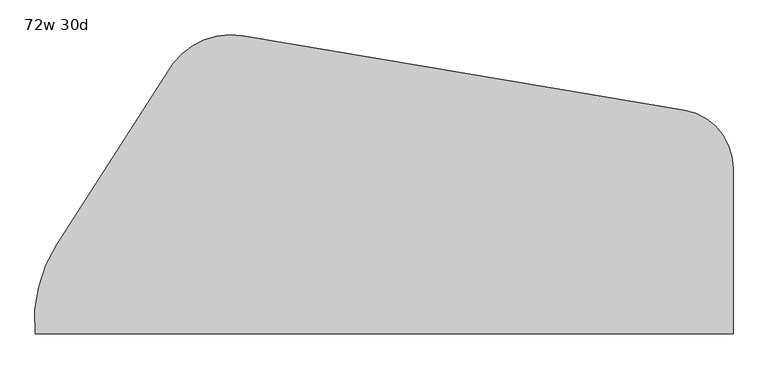
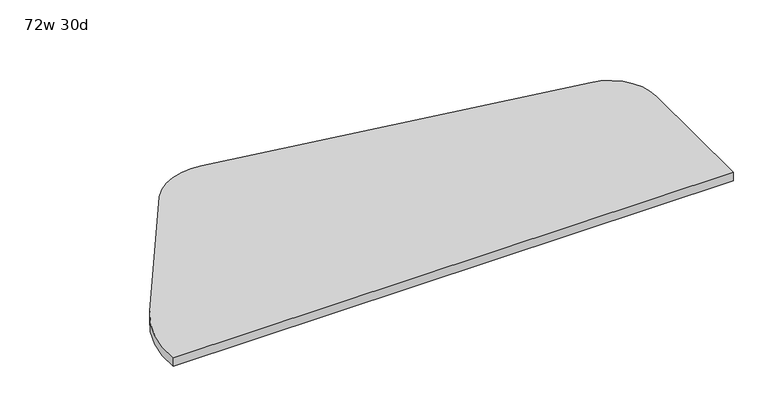
"""IFC4 building model written with IfcOpenShell, lengths in millimetres: furniture geometry, 72w 30d."""

from ifc_helpers import new_model, si_unit, point, frame, frame_2d, origin, place, context, project, spatial, polyline, circle_curve, trimmed, segment, composite_curve, outline, extrude, source, transform, mapped, element, save


def furniture_72w_30d_296202d1(model_context):
    return source(origin(), model_context, "Body", "SweptSolid", [
        extrude(outline(polyline([(-684.81575, 967.1356173), (-557.81575, 967.1356173), (-557.81575, 576.9108833), (-684.81575, 576.9108833), (-684.81575, 967.1356173)])), frame((0.0, 0.0, 679.45), z_axis=(0.0, 0.0, 1.0), x_axis=(1.0, 0.0, 0.0)), (0.0, 0.0, 1.0), 25.4),
        extrude(outline(composite_curve([segment(polyline([(914.4, 381.0), (-1058.672, 381.0)]), True, "CONTINUOUS"), segment(trimmed(circle_curve(frame_2d((-663.7885516, 418.0526019)), 396.617994), [point((-1058.672, 381.0))], [point((-997.458, 632.46))], False, "CARTESIAN"), True, "CONTINUOUS"), segment(polyline([(-997.458, 632.46), (-667.766, 1145.54)]), True, "CONTINUOUS"), segment(trimmed(circle_curve(frame_2d((-506.1821391, 1023.3392119)), 202.5891821), [point((-667.766, 1145.54))], [point((-472.5664207, 1223.1199923))], False, "CARTESIAN"), True, "CONTINUOUS"), segment(polyline([(-472.5664207, 1223.1199923), (776.478, 1012.952)]), True, "CONTINUOUS"), segment(trimmed(circle_curve(frame_2d((749.0396851, 849.884)), 165.3603149), [point((776.478, 1012.952))], [point((914.4, 849.884))], False, "CARTESIAN"), True, "CONTINUOUS"), segment(polyline([(914.4, 849.884), (914.4, 381.0)]), True, "CONTINUOUS")], self_intersect=False)), frame((0.0, 0.0, 704.85), z_axis=(0.0, 0.0, 1.0), x_axis=(1.0, 0.0, 0.0)), (0.0, 0.0, 1.0), 31.75),
    ])


if __name__ == "__main__":
    model = new_model("IFC4")
    model_context = context("Model", 3, world=origin())
    ifc_project = project(units=[si_unit("LENGTHUNIT", "METRE", prefix="MILLI")], contexts=[model_context])
    site = spatial("IfcSite", under=ifc_project)
    building = spatial("IfcBuilding", under=site)
    placement = place(None, origin())
    furniture_72w_30d_shape = furniture_72w_30d_296202d1(model_context)
    element("IfcFurniture", 1, ObjectType="72w 30d", at=placement, inside=building, context=model_context, shape_type="MappedRepresentation", body=[
        mapped(furniture_72w_30d_shape, transform((0.0, 0.0, 0.0), x_axis=(1.0, 0.0, 0.0), y_axis=(0.0, 1.0, 0.0), z_axis=(0.0, 0.0, 1.0))),
    ])
    save(model, "model.ifc")
